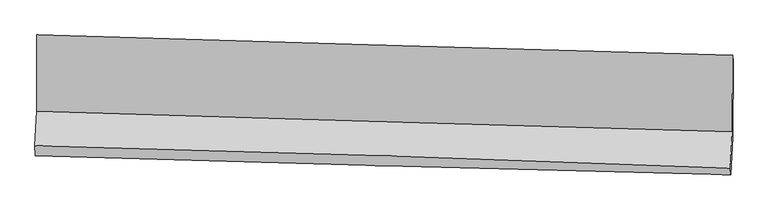
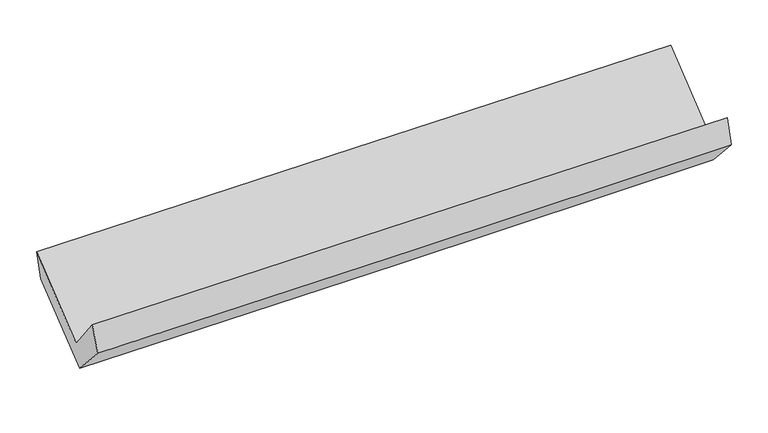
"""IFC4 building model written with IfcOpenShell, lengths in millimetres: proxy geometry."""

from ifc_helpers import new_model, si_unit, frame, origin, place, context, project, spatial, source, transform, mapped, element, save
from ifc_brep_helpers import plane_surface, spline_curve, spline_surface, advanced_brep


def generic_models_bc9af790(model_context):
    return source(origin(), model_context, "Body", "AdvancedBrep", [
        advanced_brep(
        [(-2406.7396463, -1122.3985648, 2196.5010042), (-2408.6656217, -1650.8573833, 1770.9396779), (2397.2014173, -1790.4794573, 1854.2728675), (2400.2571153, -1263.0705677, 2278.7976971), (-2420.5572398, -1887.9546538, 2072.0623315), (2384.7156122, -2043.2314514, 2167.0076983), (-2417.7146898, -1956.757117, 1878.6316314), (2387.7931923, -2087.5013805, 1975.2244667), (-2405.7420334, -1696.966837, 1595.8577428), (2399.80273, -1827.674132, 1692.4102536), (-2403.614553, -1174.1128239, 2007.0028634), (2403.01402, -1308.7761836, 2100.4879138)],
        [
            (0, 1),
            (1, 2, spline_curve(3, [(-2408.6656217, -1650.8573833, 1770.9396779), (-1607.564113843, -1674.682588318, 1785.695283852), (-806.440911168, -1698.23273309, 1800.018877456), (795.514786359, -1744.773194836, 1827.796246819), (1596.347263603, -1767.763741633, 1841.250383313), (2397.2014173, -1790.4794573, 1854.2728675)], [4, 2, 4], [0.0, 7.890735080820242, 15.77817953416352])),
            (2, 3),
            (3, 0, spline_curve(3, [(2400.2571153, -1263.0705677, 2278.7976971), (1599.262227246, -1239.839277132, 2266.302803021), (798.265263927, -1216.503431755, 2253.198855565), (-804.066988269, -1169.612851153, 2225.767132996), (-1605.402278848, -1146.058029136, 2211.438849309), (-2406.7396463, -1122.3985648, 2196.5010042)], [4, 2, 4], [0.0, 7.887444453343278, 15.77817953416352])),
            (1, 4),
            (4, 5, spline_curve(3, [(-2420.5572398, -1887.9546538, 2072.0623315), (-1619.35157546, -1909.169217139, 2084.881475298), (-818.225841951, -1932.719417478, 2099.205124765), (783.531708867, -1984.480297701, 2130.854834911), (1584.163592545, -2012.689029747, 2148.179641012), (2384.7156122, -2043.2314514, 2167.0076983)], [4, 2, 4], [0.0, 7.88987303339877, 15.77645579881521])),
            (5, 2),
            (4, 6),
            (6, 7, spline_curve(3, [(-2417.7146898, -1956.757117, 1878.6316314), (-1616.658273497, -1982.060567744, 1891.173591701), (-815.587554335, -2005.60955477, 1905.49602463), (786.248418496, -2049.189512986, 1937.695121069), (1587.013659794, -2069.221947076, 1955.570299762), (2387.7931923, -2087.5013805, 1975.2244667)], [4, 2, 4], [0.0, 7.8895781215911525, 15.775866098185336])),
            (7, 5),
            (6, 8),
            (8, 9, spline_curve(3, [(-2405.7420334, -1696.966837, 1595.8577428), (-1604.678582844, -1722.276743711, 1608.406719572), (-803.6012725, -1745.825876242, 1622.729298227), (798.246993696, -1789.393506286, 1654.914947676), (1599.017937749, -1809.413472252, 1672.776539078), (2399.80273, -1827.674132, 1692.4102536)], [4, 2, 4], [0.0, 7.889271431636824, 15.775252846173812])),
            (9, 7),
            (8, 10),
            (10, 11, spline_curve(3, [(-2403.614553, -1174.1128239, 2007.0028634), (-1602.316018448, -1198.772144848, 2020.07259892), (-801.030835231, -1222.32586202, 2034.399774252), (801.178677887, -1267.212726374, 2065.562506387), (1602.103019256, -1288.546796085, 2082.397014386), (2403.01402, -1308.7761836, 2100.4879138)], [4, 2, 4], [0.0, 7.890216068908653, 15.777141726780867])),
            (11, 9),
            (10, 0),
            (3, 11),
        ],
        [
            spline_surface(3, 3, [[(-2406.7396463, -1122.3985648, 2196.5010042), (-1605.402278834, -1146.058029158, 2211.4388494), (-804.066988231, -1169.612851269, 2225.767132948), (798.26526389, -1216.503431639, 2253.198855613), (1599.262227181, -1239.839277171, 2266.302803039), (2400.2571153, -1263.0705677, 2278.7976971)], [(-2407.38163811, -1298.551504302, 2054.647228763), (-1606.122890515, -1322.266215565, 2069.524327506), (-804.858295919, -1345.819478511, 2083.851047747), (797.348438089, -1392.593352748, 2111.397986065), (1598.290572669, -1415.814098682, 2124.618663101), (2399.238549331, -1438.873530912, 2137.28942057)], [(-2408.02362989, -1474.704443798, 1912.793453337), (-1606.843502165, -1498.474401967, 1927.609805623), (-805.649603609, -1522.026105735, 1941.934962526), (796.431612288, -1568.68327384, 1969.597116498), (1597.318918064, -1591.788920159, 1982.934523154), (2398.219983269, -1614.676494088, 1995.78114403)], [(-2408.6656217, -1650.8573833, 1770.9396779), (-1607.564113846, -1674.682588374, 1785.69528373), (-806.440911297, -1698.232732977, 1800.018877325), (795.514786488, -1744.77319495, 1827.79624695), (1596.347263551, -1767.76374167, 1841.250383216), (2397.2014173, -1790.4794573, 1854.2728675)]], [4, 4], [4, 2, 4], [0.0, 2.226080892280058], [0.0, 7.890735080820242, 15.77817953416352]),
            spline_surface(3, 3, [[(-2408.6656217, -1650.8573833, 1770.9396779), (-1607.564113846, -1674.682588374, 1785.69528373), (-806.440911297, -1698.232732977, 1800.018877325), (795.514786488, -1744.77319495, 1827.79624695), (1596.347263551, -1767.76374167, 1841.250383216), (2397.2014173, -1790.4794573, 1854.2728675)], [(-2412.629494391, -1729.889806803, 1871.313895778), (-1611.493267729, -1752.844797934, 1885.424014231), (-810.369221478, -1776.394961145, 1899.747626483), (791.520427276, -1824.675562516, 1928.81577629), (1592.286039854, -1849.405504363, 1943.56013581), (2393.03948226, -1874.730122006, 1958.51781111)], [(-2416.593367109, -1808.922230297, 1971.688113622), (-1615.422421641, -1831.007007486, 1985.152744698), (-814.297531707, -1854.557189337, 1999.476375595), (787.526068016, -1904.577930107, 2029.835305583), (1588.224816176, -1931.04726704, 2045.869888374), (2388.87754724, -1958.980786694, 2062.76275469)], [(-2420.5572398, -1887.9546538, 2072.0623315), (-1619.351575524, -1909.169217046, 2084.881475199), (-818.225841888, -1932.719417505, 2099.205124753), (783.531708804, -1984.480297674, 2130.854834923), (1584.163592479, -2012.689029734, 2148.179640968), (2384.7156122, -2043.2314514, 2167.0076983)]], [4, 4], [4, 2, 4], [0.0, 1.2580208220423867], [0.0, 7.88987303339877, 15.77645579881521]),
            spline_surface(3, 3, [[(-2420.5572398, -1887.9546538, 2072.0623315), (-1619.351575524, -1909.169217046, 2084.881475199), (-818.225841888, -1932.719417505, 2099.205124753), (783.531708804, -1984.480297674, 2130.854834923), (1584.163592479, -2012.689029734, 2148.179640968), (2384.7156122, -2043.2314514, 2167.0076983)], [(-2419.609723133, -1910.888808205, 2007.585431469), (-1618.453808172, -1933.46633394, 2020.312180669), (-817.346412669, -1957.01612996, 2034.635424709), (784.437278668, -2006.050036125, 2066.468263634), (1585.113614928, -2031.533335496, 2083.976527239), (2385.741472222, -2057.988094423, 2103.079954412)], [(-2418.662206467, -1933.822962595, 1943.108531431), (-1617.556040819, -1957.763450817, 1955.742886132), (-816.466983453, -1981.312842345, 1970.065724676), (785.342848529, -2027.619774506, 2002.081692356), (1586.063637412, -2050.377641287, 2019.773413576), (2386.767332278, -2072.744737477, 2039.152210588)], [(-2417.7146898, -1956.757117, 1878.6316314), (-1616.658273467, -1982.060567711, 1891.173591601), (-815.587554233, -2005.6095548, 1905.496024632), (786.248418393, -2049.189512956, 1937.695121067), (1587.013659861, -2069.221947049, 1955.570299848), (2387.7931923, -2087.5013805, 1975.2244667)]], [4, 4], [4, 2, 4], [0.0, 0.6736333188493854], [0.0, 7.8895781215911525, 15.775866098185336]),
            spline_surface(3, 3, [[(-2417.7146898, -1956.757117, 1878.6316314), (-1616.658273467, -1982.060567711, 1891.173591601), (-815.587554233, -2005.6095548, 1905.496024632), (786.248418393, -2049.189512956, 1937.695121067), (1587.013659861, -2069.221947049, 1955.570299848), (2387.7931923, -2087.5013805, 1975.2244667)], [(-2413.723804325, -1870.160356994, 1784.373668522), (-1612.665043242, -1895.465959721, 1796.917967559), (-811.592126971, -1919.014995265, 1811.240449174), (790.247943451, -1962.590844063, 1843.435063204), (1591.015085801, -1982.619122097, 1861.305712907), (2391.796371533, -2000.89229768, 1880.953062338)], [(-2409.732918875, -1783.563597006, 1690.115705678), (-1608.671813043, -1808.871351751, 1702.662343551), (-807.596699671, -1832.420435758, 1716.984873799), (794.247468547, -1875.992175197, 1749.175005424), (1595.016511741, -1896.016297104, 1767.041125953), (2395.799550767, -1914.28321482, 1786.681657962)], [(-2405.7420334, -1696.966837, 1595.8577428), (-1604.678582818, -1722.276743762, 1608.40671951), (-803.601272409, -1745.825876223, 1622.729298341), (798.246993606, -1789.393506304, 1654.914947562), (1599.017937681, -1809.413472152, 1672.776539012), (2399.80273, -1827.674132, 1692.4102536)]], [4, 4], [4, 2, 4], [0.0, 1.2604378929373279], [0.0, 7.889271431636824, 15.775252846173812]),
            spline_surface(3, 3, [[(-2405.7420334, -1696.966837, 1595.8577428), (-1604.678582818, -1722.276743762, 1608.40671951), (-803.601272409, -1745.825876223, 1622.729298341), (798.246993606, -1789.393506304, 1654.914947562), (1599.017937681, -1809.413472152, 1672.776539012), (2399.80273, -1827.674132, 1692.4102536)], [(-2405.032873267, -1522.682165977, 1732.906116325), (-1603.891061323, -1547.775210813, 1745.628679266), (-802.744460024, -1571.32587145, 1759.952790334), (799.224221712, -1615.333246376, 1791.797467149), (1600.046298184, -1635.791246783, 1809.31669743), (2400.873159989, -1654.708149183, 1828.436140325)], [(-2404.323713133, -1348.397494923, 1869.954489875), (-1603.103539827, -1373.273677833, 1882.850639046), (-801.887647647, -1396.825866661, 1897.176282324), (800.201449811, -1441.272986433, 1928.679986734), (1601.074658719, -1462.169021466, 1945.856855873), (2401.943590011, -1481.742166417, 1964.462027075)], [(-2403.614553, -1174.1128239, 2007.0028634), (-1602.316018332, -1198.772144884, 2020.072598802), (-801.030835262, -1222.325861888, 2034.399774316), (801.178677918, -1267.212726505, 2065.562506322), (1602.103019221, -1288.546796098, 2082.397014291), (2403.01402, -1308.7761836, 2100.4879138)]], [4, 4], [4, 2, 4], [0.0, 2.1822440633061664], [0.0, 7.890216068908653, 15.777141726780867]),
            spline_surface(3, 3, [[(-2403.614553, -1174.1128239, 2007.0028634), (-1602.316018332, -1198.772144884, 2020.072598802), (-801.030835262, -1222.325861888, 2034.399774316), (801.178677918, -1267.212726505, 2065.562506322), (1602.103019221, -1288.546796098, 2082.397014291), (2403.01402, -1308.7761836, 2100.4879138)], [(-2404.656250775, -1156.874737519, 2070.168910342), (-1603.344771841, -1181.200772961, 2083.86134901), (-802.042886259, -1204.754858331, 2098.188893868), (800.207539901, -1250.309628199, 2128.107956094), (1601.15608854, -1272.310956452, 2143.698943886), (2402.095051765, -1293.540978296, 2159.924508246)], [(-2405.697948525, -1139.636651181, 2133.334957258), (-1604.373525325, -1163.629401081, 2147.650099192), (-803.054937234, -1187.183854826, 2161.978013396), (799.236401907, -1233.406529945, 2190.653405841), (1600.209157863, -1256.075116817, 2205.000873443), (2401.176083535, -1278.305773004, 2219.361102654)], [(-2406.7396463, -1122.3985648, 2196.5010042), (-1605.402278834, -1146.058029158, 2211.4388494), (-804.066988231, -1169.612851269, 2225.767132948), (798.26526389, -1216.503431639, 2253.198855613), (1599.262227181, -1239.839277171, 2266.302803039), (2400.2571153, -1263.0705677, 2278.7976971)]], [4, 4], [4, 2, 4], [0.0, 0.6445341991095517], [0.0, 7.891390433327651, 15.779489965880483]),
            plane_surface(frame((2395.4640145, -1720.1221954, 2011.3668162), z_axis=(0.9995083628268451, -0.02296912002668827, 0.02134132527279799), x_axis=(0.0048645146088204284, 0.786035106415231, 0.6181627196624017))),
            plane_surface(frame((-2410.5056307, -1581.5078966, 1920.1658752), z_axis=(-0.9995139535699966, 0.02168141526849663, -0.0224002868470474), x_axis=(0.01590760933333487, -0.26324021270874626, -0.9645991594327419))),
        ],
        [
            (0, [[1, 2, 3, 4]]),
            (1, [[5, 6, 7, -2]]),
            (2, [[8, 9, 10, -6]]),
            (3, [[11, 12, 13, -9]]),
            (4, [[14, 15, 16, -12]]),
            (5, [[17, -4, 18, -15]]),
            (6, [[-16, -18, -3, -7, -10, -13]]),
            (7, [[-17, -14, -11, -8, -5, -1]]),
        ],
    ),
    ])


if __name__ == "__main__":
    model = new_model("IFC4")
    model_context = context("Model", 3, world=origin())
    ifc_project = project(units=[si_unit("LENGTHUNIT", "METRE", prefix="MILLI")], contexts=[model_context])
    site = spatial("IfcSite", under=ifc_project)
    building = spatial("IfcBuilding", under=site)
    placement = place(None, origin())
    generic_models_shape = generic_models_bc9af790(model_context)
    element("IfcBuildingElementProxy", 1, Name="Generic Models", at=placement, inside=building, context=model_context, shape_type="MappedRepresentation", body=[
        mapped(generic_models_shape, transform((0.0, 0.0, 0.0), x_axis=(1.0, 0.0, 0.0), y_axis=(0.0, 1.0, 0.0), z_axis=(0.0, 0.0, 1.0))),
    ])
    save(model, "model.ifc")
